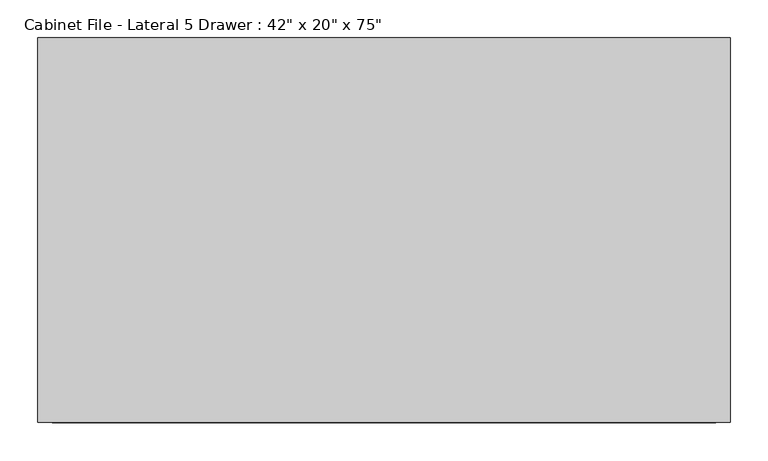
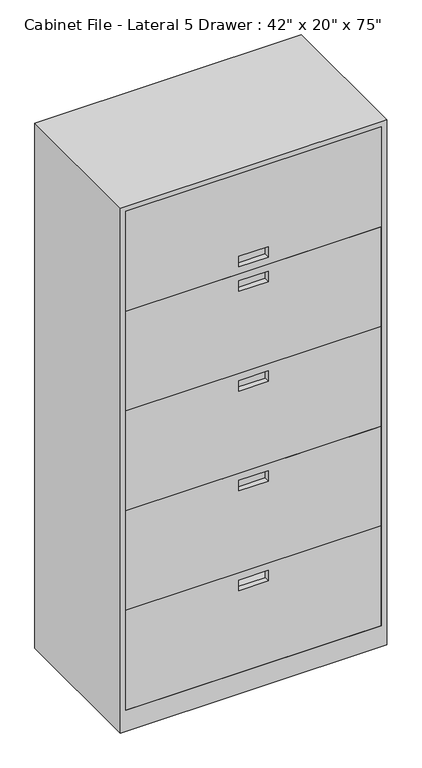
"""IFC4 building model written with IfcOpenShell, lengths in millimetres: furniture geometry."""

from ifc_helpers import new_model, si_unit, frame, origin, place, context, project, spatial, polyline, outline, extrude, faceted_brep, source, transform, mapped, element, save


def furniture_f72ff72e(model_context):
    return source(origin(), model_context, "Body", "SolidModel", [
        extrude(outline(polyline([(1885.95, -618.1725139), (1524.0, -618.1725139), (1524.0, 258.1274861), (1885.95, 258.1274861), (1885.95, -618.1725139)]), holes=[polyline([(1587.5, -129.2225139), (1549.4, -129.2225139), (1549.4, -230.8225139), (1587.5, -230.8225139), (1587.5, -129.2225139)])]), frame((0.0, -1188.3183761, 0.0), z_axis=(0.0, 1.0, 0.0), x_axis=(0.0, 0.0, 1.0)), (0.0, 0.0, 1.0), 19.05),
        faceted_brep([(277.1774861, -680.3183761, 1905.0), (-637.2225139, -680.3183761, 1905.0), (-637.2225139, -1188.3183761, 1905.0), (277.1774861, -1188.3183761, 1905.0), (277.1774861, -680.3183761, 0.0), (277.1774861, -1188.3183761, 0.0), (-637.2225139, -1188.3183761, 0.0), (-637.2225139, -680.3183761, 0.0), (258.1274861, -1188.3183761, 76.2), (-618.1725139, -1188.3183761, 76.2), (-618.1725139, -1188.3183761, 1885.95), (258.1274861, -1188.3183761, 1885.95), (-618.1725139, -699.3683761, 76.2), (258.1274861, -699.3683761, 76.2), (258.1274861, -699.3683761, 1885.95), (-618.1725139, -699.3683761, 1885.95)], [[[0, 1, 2, 3]], [[4, 5, 6, 7]], [[1, 0, 4, 7]], [[2, 1, 7, 6]], [[3, 2, 6, 5], [8, 9, 10, 11]], [[0, 3, 5, 4]], [[12, 13, 14, 15]], [[13, 12, 9, 8]], [[14, 13, 8, 11]], [[15, 14, 11, 10]], [[12, 15, 10, 9]]]),
        extrude(outline(polyline([(76.2, -618.1725139), (76.2, 258.1274861), (438.15, 258.1274861), (438.15, -618.1725139), (76.2, -618.1725139)]), holes=[polyline([(412.75, -230.8225139), (412.75, -129.2225139), (374.65, -129.2225139), (374.65, -230.8225139), (412.75, -230.8225139)])]), frame((0.0, -1188.3183761, 0.0), z_axis=(0.0, 1.0, 0.0), x_axis=(0.0, 0.0, 1.0)), (0.0, 0.0, 1.0), 19.05),
        extrude(outline(polyline([(438.15, -618.1725139), (438.15, 258.1274861), (800.1, 258.1274861), (800.1, -618.1725139), (438.15, -618.1725139)]), holes=[polyline([(774.7, -230.8225139), (774.7, -129.2225139), (736.6, -129.2225139), (736.6, -230.8225139), (774.7, -230.8225139)])]), frame((0.0, -1188.3183761, 0.0), z_axis=(0.0, 1.0, 0.0), x_axis=(0.0, 0.0, 1.0)), (0.0, 0.0, 1.0), 19.05),
        extrude(outline(polyline([(1524.0, -618.1725139), (1162.05, -618.1725139), (1162.05, 258.1274861), (1524.0, 258.1274861), (1524.0, -618.1725139)]), holes=[polyline([(1498.6, -230.8225139), (1498.6, -129.2225139), (1460.5, -129.2225139), (1460.5, -230.8225139), (1498.6, -230.8225139)])]), frame((0.0, -1188.3183761, 0.0), z_axis=(0.0, 1.0, 0.0), x_axis=(0.0, 0.0, 1.0)), (0.0, 0.0, 1.0), 19.05),
        extrude(outline(polyline([(1162.05, -618.1725139), (800.1, -618.1725139), (800.1, 258.1274861), (1162.05, 258.1274861), (1162.05, -618.1725139)]), holes=[polyline([(1136.65, -230.8225139), (1136.65, -129.2225139), (1098.55, -129.2225139), (1098.55, -230.8225139), (1136.65, -230.8225139)])]), frame((0.0, -1188.3183761, 0.0), z_axis=(0.0, 1.0, 0.0), x_axis=(0.0, 0.0, 1.0)), (0.0, 0.0, 1.0), 19.05),
    ])


if __name__ == "__main__":
    model = new_model("IFC4")
    model_context = context("Model", 3, world=origin())
    ifc_project = project(units=[si_unit("LENGTHUNIT", "METRE", prefix="MILLI")], contexts=[model_context])
    site = spatial("IfcSite", under=ifc_project)
    building = spatial("IfcBuilding", under=site)
    placement = place(None, origin())
    furniture_shape = furniture_f72ff72e(model_context)
    element("IfcFurniture", 1, ObjectType="Cabinet File - Lateral 5 Drawer : 42\" x 20\" x 75\"", at=placement, inside=building, context=model_context, shape_type="MappedRepresentation", body=[
        mapped(furniture_shape, transform((0.0, 0.0, 0.0), x_axis=(1.0, 0.0, 0.0), y_axis=(0.0, 1.0, 0.0), z_axis=(0.0, 0.0, 1.0))),
    ])
    save(model, "model.ifc")
